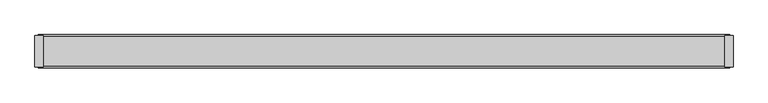
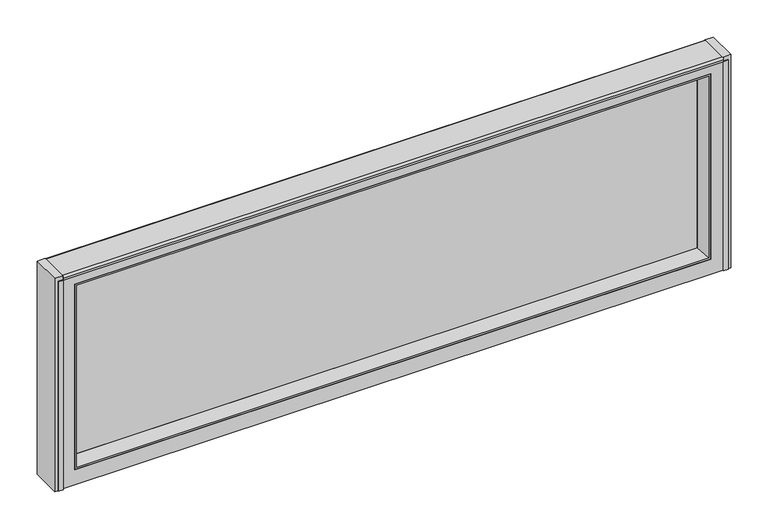
"""IFC4 building model written with IfcOpenShell, lengths in millimetres: furniture geometry."""

from ifc_helpers import new_model, si_unit, point, frame, frame_2d, origin, place, context, project, spatial, polyline, circle_curve, trimmed, segment, composite_curve, outline, extrude, faceted_brep, source, transform, mapped, element, save


def furniture_9940bc40(model_context):
    return source(origin(), model_context, "Body", "SolidModel", [
        extrude(outline(polyline([(1000.1377, 520.7), (1349.3877, 520.7), (1349.3877, -520.7), (1000.1377, -520.7), (1000.1377, 520.7)]), holes=[polyline([(1025.5377, 501.65), (1025.5377, -501.65), (1335.1002969, -501.65), (1335.1002969, 501.65), (1025.5377, 501.65)])]), frame((0.0, -23.8125, 0.0), z_axis=(0.0, 1.0, 0.0), x_axis=(0.0, 0.0, 1.0)), (0.0, 0.0, 1.0), 47.625),
        extrude(outline(polyline([(492.1280802, 3.175), (492.1280802, -3.175), (-492.1209786, -3.175), (-492.1209786, 3.175), (492.1280802, 3.175)])), frame((0.0, 0.0, 1035.0627), z_axis=(0.0, 0.0, 1.0), x_axis=(1.0, 0.0, 0.0)), (0.0, 0.0, 1.0), 290.5125969),
        faceted_brep([(498.4790846, 23.8125, 1028.7116955), (492.1280802, 3.175, 1035.0627), (492.1280802, 3.175, 1325.5752969), (498.4790846, 23.8125, 1331.9263014), (501.6530802, -23.8125, 1025.5377), (501.6530802, 23.8125, 1025.5377), (501.6530802, 23.8125, 1335.1002969), (501.6530802, -23.8125, 1335.1002969), (492.1280802, -3.175, 1035.0627), (498.4790846, -23.8125, 1028.7116955), (498.4790846, -23.8125, 1331.9263014), (492.1280802, -3.175, 1325.5752969), (-492.1209786, 3.175, 1325.5752969), (-498.4719831, 23.8125, 1331.9263014), (-501.6459786, 23.8125, 1335.1002969), (-501.6459786, -23.8125, 1335.1002969), (-498.4719831, -23.8125, 1331.9263014), (-492.1209786, -3.175, 1325.5752969), (-492.1209786, 3.175, 1035.0627), (-498.4719831, 23.8125, 1028.7116955), (-501.6459786, 23.8125, 1025.5377), (-501.6459786, -23.8125, 1025.5377), (-498.4719831, -23.8125, 1028.7116955), (-492.1209786, -3.175, 1035.0627)], [[[0, 1, 2, 3]], [[4, 5, 6, 7]], [[8, 9, 10, 11]], [[1, 8, 11, 2]], [[3, 2, 12, 13]], [[7, 6, 14, 15]], [[11, 10, 16, 17]], [[2, 11, 17, 12]], [[13, 12, 18, 19]], [[15, 14, 20, 21]], [[17, 16, 22, 23]], [[12, 17, 23, 18]], [[19, 18, 1, 0]], [[5, 20, 14, 6], [3, 13, 19, 0]], [[21, 20, 5, 4]], [[7, 15, 21, 4], [9, 22, 16, 10]], [[23, 22, 9, 8]], [[18, 23, 8, 1]]]),
        extrude(outline(polyline([(-533.4, 23.8125), (-520.7, 23.8125), (-520.7, -23.8125), (-533.4, -23.8125), (-533.4, 23.8125)])), frame((0.0, 0.0, 1000.1377), z_axis=(0.0, 0.0, 1.0), x_axis=(1.0, 0.0, 0.0)), (0.0, 0.0, 1.0), 355.6),
        extrude(outline(polyline([(520.7, -23.8125), (520.7, 23.8125), (533.4, 23.8125), (533.4, -23.8125), (520.7, -23.8125)])), frame((0.0, 0.0, 1000.1377), z_axis=(0.0, 0.0, 1.0), x_axis=(1.0, 0.0, 0.0)), (0.0, 0.0, 1.0), 355.6),
        extrude(outline(polyline([(-520.7, 25.4), (-520.7, 23.8125), (-528.6375, 23.8125), (-528.6375, 25.4), (-520.7, 25.4)])), frame((0.0, 0.0, 1000.1377), z_axis=(0.0, 0.0, 1.0), x_axis=(1.0, 0.0, 0.0)), (0.0, 0.0, 1.0), 349.25),
        extrude(outline(polyline([(-520.7, -25.4), (-528.6375, -25.4), (-528.6375, -23.8125), (-520.7, -23.8125), (-520.7, -25.4)])), frame((0.0, 0.0, 1000.1377), z_axis=(0.0, 0.0, 1.0), x_axis=(1.0, 0.0, 0.0)), (0.0, 0.0, 1.0), 349.25),
        extrude(outline(polyline([(528.6375, 23.8125), (520.7, 23.8125), (520.7, 25.4), (528.6375, 25.4), (528.6375, 23.8125)])), frame((0.0, 0.0, 1000.1377), z_axis=(0.0, 0.0, 1.0), x_axis=(1.0, 0.0, 0.0)), (0.0, 0.0, 1.0), 349.25),
        extrude(outline(polyline([(520.7, -25.4), (520.7, -23.8125), (528.6375, -23.8125), (528.6375, -25.4), (520.7, -25.4)])), frame((0.0, 0.0, 1000.1377), z_axis=(0.0, 0.0, 1.0), x_axis=(1.0, 0.0, 0.0)), (0.0, 0.0, 1.0), 349.25),
        extrude(outline(composite_curve([segment(trimmed(circle_curve(frame_2d((22.225, 1352.5627)), 3.175), [point((22.225, 1355.7377))], [point((25.4, 1352.5627))], False, "CARTESIAN"), True, "CONTINUOUS"), segment(polyline([(25.4, 1352.5627), (25.4, 1349.3877), (-25.4, 1349.3877), (-25.4, 1352.5627)]), True, "CONTINUOUS"), segment(trimmed(circle_curve(frame_2d((-22.225, 1352.5627)), 3.175), [point((-25.4, 1352.5627))], [point((-22.225, 1355.7377))], False, "CARTESIAN"), True, "CONTINUOUS"), segment(polyline([(-22.225, 1355.7377), (22.225, 1355.7377)]), True, "CONTINUOUS")], self_intersect=False)), frame((-520.7, 0.0, 0.0), z_axis=(1.0, 0.0, 0.0), x_axis=(0.0, 1.0, 0.0)), (0.0, 0.0, 1.0), 1041.4),
    ])


if __name__ == "__main__":
    model = new_model("IFC4")
    model_context = context("Model", 3, world=origin())
    ifc_project = project(units=[si_unit("LENGTHUNIT", "METRE", prefix="MILLI")], contexts=[model_context])
    site = spatial("IfcSite", under=ifc_project)
    building = spatial("IfcBuilding", under=site)
    placement = place(None, origin())
    furniture_shape = furniture_9940bc40(model_context)
    element("IfcFurniture", 1, at=placement, inside=building, context=model_context, shape_type="MappedRepresentation", body=[
        mapped(furniture_shape, transform((0.0, 0.0, 0.0), x_axis=(1.0, 0.0, 0.0), y_axis=(0.0, 1.0, 0.0), z_axis=(0.0, 0.0, 1.0))),
    ])
    save(model, "model.ifc")
